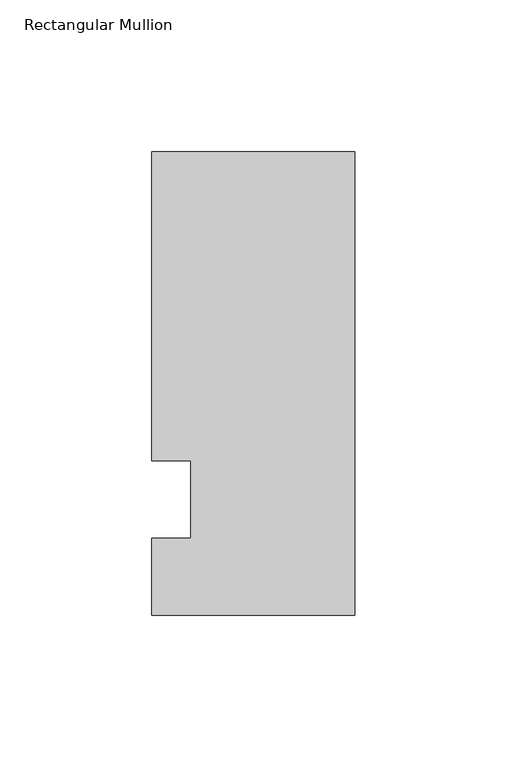
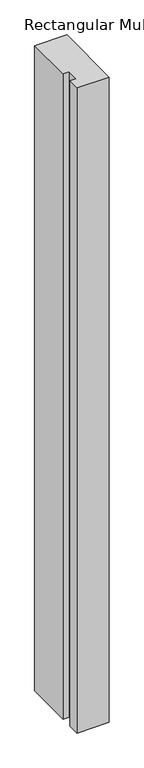
"""IFC4 building model written with IfcOpenShell, lengths in millimetres: member geometry, Rectangular Mullion."""

from ifc_helpers import new_model, si_unit, frame, origin, place, context, project, spatial, polyline, outline, extrude, source, transform, mapped, element, save


def rectangular_mullion_7b64a358(model_context):
    return source(origin(), model_context, "Body", "SweptSolid", [
        extrude(outline(polyline([(-66.675, 114.3), (0.0, 114.3), (0.0, -38.1), (-66.675, -38.1), (-66.675, -12.7), (-53.9732296, -12.7), (-53.9732296, 12.7), (-66.675, 12.7), (-66.675, 114.3)])), frame((0.0, 0.0, -1416.1510693), z_axis=(0.0, 0.0, 1.0), x_axis=(1.0, 0.0, 0.0)), (0.0, 0.0, 1.0), 1416.1510693),
    ])


if __name__ == "__main__":
    model = new_model("IFC4")
    model_context = context("Model", 3, world=origin())
    ifc_project = project(units=[si_unit("LENGTHUNIT", "METRE", prefix="MILLI")], contexts=[model_context])
    site = spatial("IfcSite", under=ifc_project)
    building = spatial("IfcBuilding", under=site)
    placement = place(None, origin())
    rectangular_mullion_shape = rectangular_mullion_7b64a358(model_context)
    element("IfcMember", 1, ObjectType="Rectangular Mullion", at=placement, inside=building, context=model_context, shape_type="MappedRepresentation", body=[
        mapped(rectangular_mullion_shape, transform((0.0, 0.0, 0.0), x_axis=(1.0, 0.0, 0.0), y_axis=(0.0, 1.0, 0.0), z_axis=(0.0, 0.0, 1.0))),
    ])
    save(model, "model.ifc")
